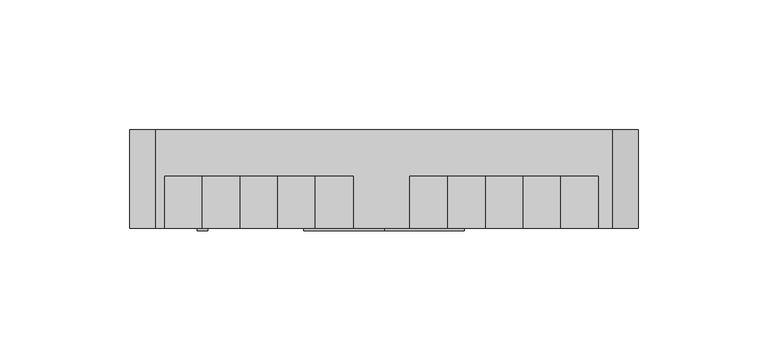
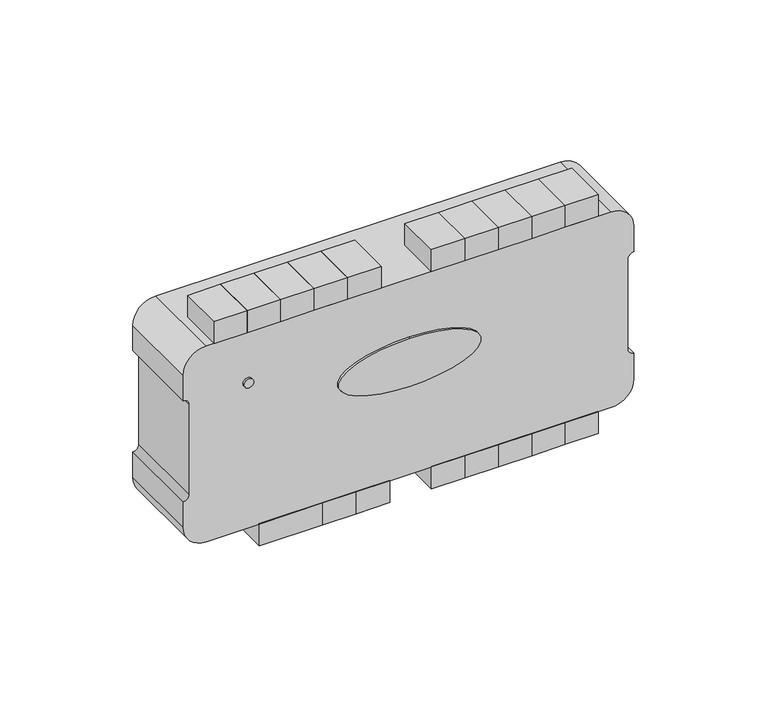
"""IFC4 building model written with IfcOpenShell, lengths in millimetres: proxy geometry."""

from ifc_helpers import new_model, si_unit, point, frame, frame_2d, origin, place, context, project, spatial, polyline, circle_curve, ellipse_curve, trimmed, segment, composite_curve, outline, extrude, source, transform, mapped, element, save
from ifc_brep_helpers import plane_surface, extruded_surface, advanced_brep


def communication_devices_219c1be8(model_context):
    return source(origin(), model_context, "Body", "SolidModel", [
        advanced_brep(
        [(0.0, -39.0, 1063.2717697), (0.0, -39.0, 1041.2717697), (0.0, -38.0, 1063.2717697), (0.0, -38.0, 1041.2717697)],
        [
            (0, 1, ellipse_curve(frame((0.0, -39.0, 1052.2717697), z_axis=(0.0, -1.0, 0.0), x_axis=(1.0, 0.0, 0.0)), 31.0078253, 11.0)),
            (1, 0, ellipse_curve(frame((0.0, -39.0, 1052.2717697), z_axis=(0.0, -1.0, 0.0), x_axis=(1.0, 0.0, 0.0)), 31.0078253, 11.0)),
            (2, 3, ellipse_curve(frame((0.0, -38.0, 1052.2717697), z_axis=(0.0, 1.0, 0.0), x_axis=(0.0, 0.0, -1.0)), 11.0, 31.0078253)),
            (3, 2, ellipse_curve(frame((0.0, -38.0, 1052.2717697), z_axis=(0.0, 1.0, 0.0), x_axis=(0.0, 0.0, -1.0)), 11.0, 31.0078253)),
            (0, 2),
            (3, 1),
        ],
        [
            plane_surface(frame((0.0, -39.0, 1041.2717697), z_axis=(0.0, -1.0, 0.0), x_axis=(1.0, 0.0, 0.0))),
            plane_surface(frame((0.0, -38.0, 1041.2717697), z_axis=(0.0, 1.0, 0.0), x_axis=(-1.0, 0.0, 0.0))),
            extruded_surface(trimmed(ellipse_curve(frame((0.0, -37.0, 1052.2717697), z_axis=(0.0, -1.0, 0.0), x_axis=(0.0, 0.0, -1.0)), 11.0, 31.0078253), [point((0.0, -37.0, 1063.2717697))], [point((0.0, -37.0, 1041.2717697))], True, "CARTESIAN"), (0.0, -1.0, 0.0), 1.0),
            extruded_surface(trimmed(ellipse_curve(frame((0.0, -37.0, 1052.2717697), z_axis=(0.0, -1.0, 0.0), x_axis=(0.0, 0.0, -1.0)), 11.0, 31.0078253), [point((0.0, -37.0, 1041.2717697))], [point((0.0, -37.0, 1063.2717697))], True, "CARTESIAN"), (0.0, -1.0, 0.0), 1.0),
        ],
        [
            (0, [[1, 2]]),
            (1, [[3, 4]]),
            (2, [[-1, 5, -4, 6]]),
            (3, [[-2, -6, -3, -5]]),
        ],
    ),
        extrude(outline(composite_curve([segment(trimmed(circle_curve(frame_2d((1067.0851504, -69.9551051)), 2.0488655), [point((1067.0851504, -72.0039706))], [point((1067.0851504, -67.9062396))], False, "CARTESIAN"), True, "CONTINUOUS"), segment(trimmed(circle_curve(frame_2d((1067.0851504, -69.9551051)), 2.0488655), [point((1067.0851504, -67.9062396))], [point((1067.0851504, -72.0039706))], False, "CARTESIAN"), True, "CONTINUOUS")], self_intersect=False)), frame((0.0, -39.0, 0.0), z_axis=(0.0, 1.0, 0.0), x_axis=(0.0, 0.0, 1.0)), (0.0, 0.0, 1.0), 1.0),
        extrude(outline(polyline([(-8.1534958, -38.0), (-22.6847458, -38.0), (-22.6847458, -18.0), (-8.1534958, -18.0), (-8.1534958, -38.0)])), frame((0.0, 0.0, 990.0), z_axis=(0.0, 0.0, 1.0), x_axis=(1.0, 0.0, 0.0)), (0.0, 0.0, 1.0), 10.0),
        extrude(outline(polyline([(-22.6847458, -38.0), (-37.2159958, -38.0), (-37.2159958, -18.0), (-22.6847458, -18.0), (-22.6847458, -38.0)])), frame((0.0, 0.0, 990.0), z_axis=(0.0, 0.0, 1.0), x_axis=(1.0, 0.0, 0.0)), (0.0, 0.0, 1.0), 10.0),
        extrude(outline(polyline([(-37.2159958, -38.0), (-65.0, -38.0), (-65.0, -18.0), (-37.2159958, -18.0), (-37.2159958, -38.0)])), frame((0.0, 0.0, 990.0), z_axis=(0.0, 0.0, 1.0), x_axis=(1.0, 0.0, 0.0)), (0.0, 0.0, 1.0), 10.0),
        extrude(outline(polyline([(24.4034958, -38.0), (9.8722458, -38.0), (9.8722458, -18.0), (24.4034958, -18.0), (24.4034958, -38.0)])), frame((0.0, 0.0, 990.0), z_axis=(0.0, 0.0, 1.0), x_axis=(1.0, 0.0, 0.0)), (0.0, 0.0, 1.0), 10.0),
        extrude(outline(polyline([(38.9347458, -38.0), (24.4034958, -38.0), (24.4034958, -18.0), (38.9347458, -18.0), (38.9347458, -38.0)])), frame((0.0, 0.0, 990.0), z_axis=(0.0, 0.0, 1.0), x_axis=(1.0, 0.0, 0.0)), (0.0, 0.0, 1.0), 10.0),
        extrude(outline(polyline([(53.4659958, -38.0), (38.9347458, -38.0), (38.9347458, -18.0), (53.4659958, -18.0), (53.4659958, -38.0)])), frame((0.0, 0.0, 990.0), z_axis=(0.0, 0.0, 1.0), x_axis=(1.0, 0.0, 0.0)), (0.0, 0.0, 1.0), 10.0),
        extrude(outline(polyline([(67.9972458, -38.0), (53.4659958, -38.0), (53.4659958, -18.0), (67.9972458, -18.0), (67.9972458, -38.0)])), frame((0.0, 0.0, 990.0), z_axis=(0.0, 0.0, 1.0), x_axis=(1.0, 0.0, 0.0)), (0.0, 0.0, 1.0), 10.0),
        extrude(outline(polyline([(82.5284958, -38.0), (67.9972458, -38.0), (67.9972458, -18.0), (82.5284958, -18.0), (82.5284958, -38.0)])), frame((0.0, 0.0, 990.0), z_axis=(0.0, 0.0, 1.0), x_axis=(1.0, 0.0, 0.0)), (0.0, 0.0, 1.0), 10.0),
        extrude(outline(polyline([(24.4034958, -38.0), (9.8722458, -38.0), (9.8722458, -18.0), (24.4034958, -18.0), (24.4034958, -38.0)])), frame((0.0, 0.0, 1090.0), z_axis=(0.0, 0.0, 1.0), x_axis=(1.0, 0.0, 0.0)), (0.0, 0.0, 1.0), 10.0),
        extrude(outline(polyline([(38.9347458, -38.0), (24.4034958, -38.0), (24.4034958, -18.0), (38.9347458, -18.0), (38.9347458, -38.0)])), frame((0.0, 0.0, 1090.0), z_axis=(0.0, 0.0, 1.0), x_axis=(1.0, 0.0, 0.0)), (0.0, 0.0, 1.0), 10.0),
        extrude(outline(polyline([(53.4659958, -38.0), (38.9347458, -38.0), (38.9347458, -18.0), (53.4659958, -18.0), (53.4659958, -38.0)])), frame((0.0, 0.0, 1090.0), z_axis=(0.0, 0.0, 1.0), x_axis=(1.0, 0.0, 0.0)), (0.0, 0.0, 1.0), 10.0),
        extrude(outline(polyline([(67.9972458, -38.0), (53.4659958, -38.0), (53.4659958, -18.0), (67.9972458, -18.0), (67.9972458, -38.0)])), frame((0.0, 0.0, 1090.0), z_axis=(0.0, 0.0, 1.0), x_axis=(1.0, 0.0, 0.0)), (0.0, 0.0, 1.0), 10.0),
        extrude(outline(polyline([(82.5284958, -38.0), (67.9972458, -38.0), (67.9972458, -18.0), (82.5284958, -18.0), (82.5284958, -38.0)])), frame((0.0, 0.0, 1090.0), z_axis=(0.0, 0.0, 1.0), x_axis=(1.0, 0.0, 0.0)), (0.0, 0.0, 1.0), 10.0),
        extrude(outline(polyline([(-11.9034958, -38.0), (-26.4347458, -38.0), (-26.4347458, -18.0), (-11.9034958, -18.0), (-11.9034958, -38.0)])), frame((0.0, 0.0, 1090.0), z_axis=(0.0, 0.0, 1.0), x_axis=(1.0, 0.0, 0.0)), (0.0, 0.0, 1.0), 10.0),
        extrude(outline(polyline([(-26.4347458, -38.0), (-40.9659958, -38.0), (-40.9659958, -18.0), (-26.4347458, -18.0), (-26.4347458, -38.0)])), frame((0.0, 0.0, 1090.0), z_axis=(0.0, 0.0, 1.0), x_axis=(1.0, 0.0, 0.0)), (0.0, 0.0, 1.0), 10.0),
        extrude(outline(polyline([(-40.9659958, -38.0), (-55.4972458, -38.0), (-55.4972458, -18.0), (-40.9659958, -18.0), (-40.9659958, -38.0)])), frame((0.0, 0.0, 1090.0), z_axis=(0.0, 0.0, 1.0), x_axis=(1.0, 0.0, 0.0)), (0.0, 0.0, 1.0), 10.0),
        extrude(outline(polyline([(-55.4972458, -38.0), (-70.0284958, -38.0), (-70.0284958, -18.0), (-55.4972458, -18.0), (-55.4972458, -38.0)])), frame((0.0, 0.0, 1090.0), z_axis=(0.0, 0.0, 1.0), x_axis=(1.0, 0.0, 0.0)), (0.0, 0.0, 1.0), 10.0),
        extrude(outline(polyline([(-70.0284958, -38.0), (-84.5597458, -38.0), (-84.5597458, -18.0), (-70.0284958, -18.0), (-70.0284958, -38.0)])), frame((0.0, 0.0, 1090.0), z_axis=(0.0, 0.0, 1.0), x_axis=(1.0, 0.0, 0.0)), (0.0, 0.0, 1.0), 10.0),
        extrude(outline(composite_curve([segment(polyline([(1090.0, 88.0), (1090.0, -88.0)]), True, "CONTINUOUS"), segment(trimmed(circle_curve(frame_2d((1080.0, -88.0)), 10.0), [point((1090.0, -88.0))], [point((1080.0, -98.0))], False, "CARTESIAN"), True, "CONTINUOUS"), segment(polyline([(1080.0, -98.0), (1068.325572, -98.0)]), True, "CONTINUOUS"), segment(trimmed(circle_curve(frame_2d((1065.6591085, -98.0)), 2.6664635), [point((1068.325572, -98.0))], [point((1065.6591085, -95.3335365))], True, "CARTESIAN"), True, "CONTINUOUS"), segment(polyline([(1065.6591085, -95.3335365), (1024.3408915, -95.3335365)]), True, "CONTINUOUS"), segment(trimmed(circle_curve(frame_2d((1024.3408915, -98.0)), 2.6664635), [point((1024.3408915, -95.3335365))], [point((1021.674428, -98.0))], True, "CARTESIAN"), True, "CONTINUOUS"), segment(polyline([(1021.674428, -98.0), (1010.0, -98.0)]), True, "CONTINUOUS"), segment(trimmed(circle_curve(frame_2d((1010.0, -88.0)), 10.0), [point((1010.0, -98.0))], [point((1000.0, -88.0))], False, "CARTESIAN"), True, "CONTINUOUS"), segment(polyline([(1000.0, -88.0), (1000.0, 88.0)]), True, "CONTINUOUS"), segment(trimmed(circle_curve(frame_2d((1010.0, 88.0)), 10.0), [point((1000.0, 88.0))], [point((1010.0, 98.0))], False, "CARTESIAN"), True, "CONTINUOUS"), segment(polyline([(1010.0, 98.0), (1021.674428, 98.0)]), True, "CONTINUOUS"), segment(trimmed(circle_curve(frame_2d((1024.3408915, 98.0)), 2.6664635), [point((1021.674428, 98.0))], [point((1024.3408915, 95.3335365))], True, "CARTESIAN"), True, "CONTINUOUS"), segment(polyline([(1024.3408915, 95.3335365), (1065.6591085, 95.3335365)]), True, "CONTINUOUS"), segment(trimmed(circle_curve(frame_2d((1065.6591085, 98.0)), 2.6664635), [point((1065.6591085, 95.3335365))], [point((1068.325572, 98.0))], True, "CARTESIAN"), True, "CONTINUOUS"), segment(polyline([(1068.325572, 98.0), (1080.0, 98.0)]), True, "CONTINUOUS"), segment(trimmed(circle_curve(frame_2d((1080.0, 88.0)), 10.0), [point((1080.0, 98.0))], [point((1090.0, 88.0))], False, "CARTESIAN"), True, "CONTINUOUS")], self_intersect=False)), frame((0.0, -38.0, 0.0), z_axis=(0.0, 1.0, 0.0), x_axis=(0.0, 0.0, 1.0)), (0.0, 0.0, 1.0), 38.0),
    ])


if __name__ == "__main__":
    model = new_model("IFC4")
    model_context = context("Model", 3, world=origin())
    ifc_project = project(units=[si_unit("LENGTHUNIT", "METRE", prefix="MILLI")], contexts=[model_context])
    site = spatial("IfcSite", under=ifc_project)
    building = spatial("IfcBuilding", under=site)
    placement = place(None, origin())
    communication_devices_shape = communication_devices_219c1be8(model_context)
    element("IfcBuildingElementProxy", 1, Name="Communication Devices", at=placement, inside=building, context=model_context, shape_type="MappedRepresentation", body=[
        mapped(communication_devices_shape, transform((0.0, 0.0, 0.0), x_axis=(1.0, 0.0, 0.0), y_axis=(0.0, 1.0, 0.0), z_axis=(0.0, 0.0, 1.0))),
    ])
    save(model, "model.ifc")
